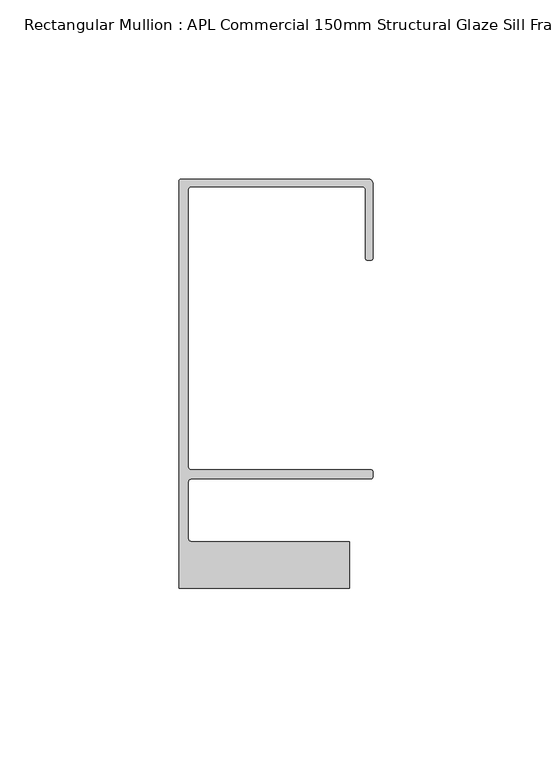
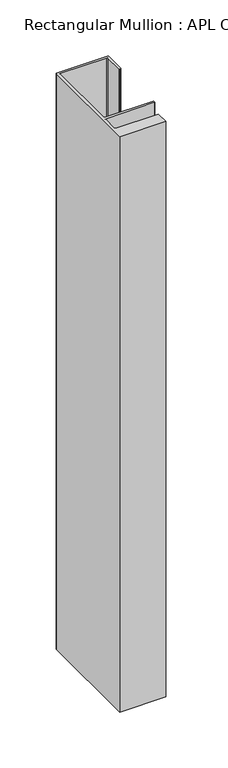
"""IFC4 building model written with IfcOpenShell, lengths in millimetres: member geometry, Rectangular Mullion : APL Commercial 150mm Structural Glaze Sill Frame (Back)."""

import ifcopenshell
import ifcopenshell.guid

model = None  # the IFC model being written
_history = None  # IfcOwnerHistory: only IFC2X3 demands one
_inside = {}  # id of a spatial element -> (the spatial element, [elements in it])
_under = {}  # id of a project, library or spatial element -> (it, [spatial elements below it])
_declared = {}  # id of a project -> (the project, [libraries it declares])
_typed = {}  # id of a type object -> (the type object, [elements of that type])
_made_of = {}  # id of a material, layer set ... -> (it, [elements and type objects made of it])


def new_model(schema):
    """Start an empty IFC model of exactly this schema.

    Asked for "IFC4X3", IfcOpenShell would pick the latest addendum, in which some entities
    have other attributes; the version numbers below select the first issue.
    IFC2X3 requires an IfcOwnerHistory on every rooted entity: one is made here for all.
    """
    global model, _history
    if schema == "IFC4X3":
        model = ifcopenshell.file(schema_version=(4, 3, 0, 0))
    else:
        model = ifcopenshell.file(schema=schema)
    _inside.clear()
    _under.clear()
    _declared.clear()
    _typed.clear()
    _made_of.clear()
    _history = None
    if model.schema == "IFC2X3":
        org = make("IfcOrganization", Name="unknown")
        user = make(
            "IfcPersonAndOrganization",
            ThePerson=make("IfcPerson", FamilyName="unknown"),
            TheOrganization=org,
        )
        app = make(
            "IfcApplication",
            ApplicationDeveloper=org,
            Version="unknown",
            ApplicationFullName="unknown",
            ApplicationIdentifier="unknown",
        )
        _history = make(
            "IfcOwnerHistory",
            OwningUser=user,
            OwningApplication=app,
            ChangeAction="ADDED",
            CreationDate=0,
        )
    return model


def make(cls, **values):
    """One entity of the class cls with the attributes given. An attribute that is None is left unset."""
    return model.create_entity(
        cls, **{name: value for name, value in values.items() if value is not None}
    )


def rooted(cls, **values):
    """An entity with a GlobalId (a new one), such as an element, a storey or a relation."""
    return make(cls, GlobalId=ifcopenshell.guid.new(), OwnerHistory=_history, **values)


def si_unit(unit_type, name, prefix=None):
    """IfcSIUnit, for example si_unit("LENGTHUNIT", "METRE", prefix="MILLI")."""
    return make("IfcSIUnit", UnitType=unit_type, Prefix=prefix, Name=name)


def assignment(units):
    """IfcUnitAssignment: the units of a project."""
    return None if units is None else make("IfcUnitAssignment", Units=units)


def point(xyz):
    """IfcCartesianPoint."""
    return None if xyz is None else make("IfcCartesianPoint", Coordinates=xyz)


def direction(xyz):
    """IfcDirection."""
    return None if xyz is None else make("IfcDirection", DirectionRatios=xyz)


def frame(location, z_axis=None, x_axis=None):
    """IfcAxis2Placement3D, a coordinate frame: its origin and axes. An axis left out is left unset."""
    return make(
        "IfcAxis2Placement3D",
        Location=point(location),
        Axis=direction(z_axis),
        RefDirection=direction(x_axis),
    )


def origin():
    """The frame at (0, 0, 0) with its axes left unset."""
    return frame((0.0, 0.0, 0.0))


def place(relative_to, where):
    """IfcLocalPlacement: puts the frame where relative to a parent placement (None: the world)."""
    return make(
        "IfcLocalPlacement", PlacementRelTo=relative_to, RelativePlacement=where
    )


def context(
    kind, dimensions, precision=None, world=None, true_north=None, identifier=None
):
    """IfcGeometricRepresentationContext, for example the 3D "Model" context."""
    return make(
        "IfcGeometricRepresentationContext",
        ContextIdentifier=identifier,
        ContextType=kind,
        CoordinateSpaceDimension=dimensions,
        Precision=precision,
        WorldCoordinateSystem=world,
        TrueNorth=true_north,
    )


def project(units=None, contexts=None):
    """IfcProject with its units and contexts."""
    return rooted(
        "IfcProject",
        Name="project",
        RepresentationContexts=contexts,
        UnitsInContext=assignment(units),
    )


def spatial(cls, under=None, at=None, **own):
    """A site, building, storey or space (cls), placed at a placement, below another one or the project."""
    s = rooted(cls, ObjectPlacement=at, **own)
    if under is not None:
        _under.setdefault(under.id(), (under, []))[1].append(s)
    return s


def polyline(points):
    """IfcPolyline through the points."""
    return make("IfcPolyline", Points=[point(p) for p in points])


def circle_curve(where, radius):
    """IfcCircle in the frame where."""
    return make("IfcCircle", Position=where, Radius=radius)


def shape(context_of_items, identifier, shape_type, items):
    """IfcShapeRepresentation: the items that make up one representation, for example the "Body"."""
    return make(
        "IfcShapeRepresentation",
        ContextOfItems=context_of_items,
        RepresentationIdentifier=identifier,
        RepresentationType=shape_type,
        Items=items,
    )


def source(mapping_origin, context_of_items, identifier, shape_type, items):
    """IfcRepresentationMap: a shape defined once, which mapped items show again and again."""
    return make(
        "IfcRepresentationMap",
        MappingOrigin=mapping_origin,
        MappedRepresentation=shape(context_of_items, identifier, shape_type, items),
    )


def transform(
    local_origin,
    x_axis=None,
    y_axis=None,
    z_axis=None,
    scale=None,
    scale2=None,
    scale3=None,
    uniform=True,
):
    """IfcCartesianTransformationOperator3D, or its non-uniform kind. x_axis, y_axis, z_axis: its Axis1, 2, 3."""
    if uniform:
        return make(
            "IfcCartesianTransformationOperator3D",
            Axis1=direction(x_axis),
            Axis2=direction(y_axis),
            LocalOrigin=point(local_origin),
            Scale=scale,
            Axis3=direction(z_axis),
        )
    return make(
        "IfcCartesianTransformationOperator3DnonUniform",
        Axis1=direction(x_axis),
        Axis2=direction(y_axis),
        LocalOrigin=point(local_origin),
        Scale=scale,
        Axis3=direction(z_axis),
        Scale2=scale2,
        Scale3=scale3,
    )


def mapped(mapping_source, mapping_target):
    """IfcMappedItem: shows the shape of a source again, moved by a transform."""
    return make(
        "IfcMappedItem", MappingSource=mapping_source, MappingTarget=mapping_target
    )


def made_of(thing, what):
    """Note that an element or type object is made of a material, layer set ...; save() writes the relation."""
    if what is not None:
        _made_of.setdefault(what.id(), (what, []))[1].append(thing)
    return thing


def element(
    cls,
    number,
    at=None,
    inside=None,
    cuts=None,
    type_object=None,
    material=None,
    context=None,
    identifier="Body",
    shape_type=None,
    held_by="IfcProductDefinitionShape",
    body=None,
    shapes=None,
    **own,
):
    """One element of the class cls, such as IfcWall. Its Tag is "e" and its number.

    at: its placement. inside: the storey or other place that contains it. cuts: it is an
    opening in that element (IfcRelVoidsElement). A single representation is given by context,
    identifier, shape_type and body (its items); several are given by shapes. held_by: the class
    of the entity that holds the representations. save() writes the other relations.
    """
    e = rooted(cls, Tag="e%d" % number, ObjectPlacement=at, **own)
    if body is not None:
        shapes = [shape(context, identifier, shape_type, body)]
    if shapes is not None:
        e.Representation = make(held_by, Representations=shapes)
    if inside is not None:
        _inside.setdefault(inside.id(), (inside, []))[1].append(e)
    if cuts is not None:
        rooted(
            "IfcRelVoidsElement", RelatingBuildingElement=cuts, RelatedOpeningElement=e
        )
    if type_object is not None:
        _typed.setdefault(type_object.id(), (type_object, []))[1].append(e)
    return made_of(e, material)


def aggregate(whole, parts):
    """IfcRelAggregates: a whole, such as a stair, and the parts it consists of."""
    return rooted("IfcRelAggregates", RelatingObject=whole, RelatedObjects=parts)


def save(model, path):
    """Write the relations noted so far, then the file.

    IfcRelAggregates (storeys below a building ...), IfcRelContainedInSpatialStructure (elements
    in a storey), IfcRelDefinesByType, IfcRelAssociatesMaterial and IfcRelDeclares: one each for
    every whole, place, type object, material and project.
    """
    for whole, parts in _under.values():
        aggregate(whole, parts)
    for where, things in _inside.values():
        rooted(
            "IfcRelContainedInSpatialStructure",
            RelatedElements=things,
            RelatingStructure=where,
        )
    for kind, things in _typed.values():
        rooted("IfcRelDefinesByType", RelatedObjects=things, RelatingType=kind)
    for what, things in _made_of.values():
        rooted("IfcRelAssociatesMaterial", RelatedObjects=things, RelatingMaterial=what)
    for by, libraries in _declared.values():
        rooted("IfcRelDeclares", RelatingContext=by, RelatedDefinitions=libraries)
    model.write(path)


def plane_surface(at):
    """IfcPlane: the flat surface through the origin of the frame at, square to its z axis."""
    return make("IfcPlane", Position=at)


def cylinder_surface(at, radius):
    """IfcCylindricalSurface: all points at the distance radius from the z axis of the frame at."""
    return make("IfcCylindricalSurface", Position=at, Radius=radius)


def revolved_surface(curve, axis_point, axis_direction):
    """IfcSurfaceOfRevolution: the curve turned about the line through axis_point along axis_direction."""
    return make(
        "IfcSurfaceOfRevolution",
        SweptCurve=make("IfcArbitraryOpenProfileDef", ProfileType="CURVE", Curve=curve),
        AxisPosition=make("IfcAxis1Placement", Location=point(axis_point), Axis=direction(axis_direction)),
    )


def advanced_brep(points, edges, surfaces, faces):
    """IfcAdvancedBrep: a solid bounded by faces that lie on surfaces and meet in shared edges.

    An edge is (start, end): straight between two places in points (the first is 0);
    or (start, end, curve); or (start, end, curve, False) where it runs against its curve.
    A face is (place in surfaces, loops), or (place, loops, False) where it looks against
    its surface's normal. A loop lists edges by number (the first is 1), with a minus sign
    where the edge is run from its end to its start. The first loop is the outer one.
    """
    corners = [point(p) for p in points]
    vertices = [make("IfcVertexPoint", VertexGeometry=c) for c in corners]
    made = []
    for start, end, *more in edges:
        made.append(
            make(
                "IfcEdgeCurve",
                EdgeStart=vertices[start],
                EdgeEnd=vertices[end],
                EdgeGeometry=more[0] if more else make("IfcPolyline", Points=[corners[start], corners[end]]),
                SameSense=more[1] if len(more) > 1 else True,
            )
        )
    hull = []
    for where, loops, *sense in faces:
        bounds = []
        for j, loop in enumerate(loops):
            ring = [make("IfcOrientedEdge", EdgeElement=made[abs(k) - 1], Orientation=k > 0) for k in loop]
            bounds.append(
                make(
                    "IfcFaceOuterBound" if j == 0 else "IfcFaceBound",
                    Bound=make("IfcEdgeLoop", EdgeList=ring),
                    Orientation=True,
                )
            )
        hull.append(make("IfcAdvancedFace", Bounds=bounds, FaceSurface=surfaces[where], SameSense=sense[0] if sense else True))
    return make("IfcAdvancedBrep", Outer=make("IfcClosedShell", CfsFaces=hull))


def rectangular_mullion_apl_commercial_150mm_structural_glaze_aa7df162(model_context):
    return source(origin(), model_context, "Body", "AdvancedBrep", [
        advanced_brep(
        [(-53.5000083, 129.0001071, 0.0), (-54.0000083, 128.5001071, 0.0), (-54.0000083, 15.0004332, 0.0), (-6.5000083, 15.0004332, 0.0), (-6.5000083, 28.0004332, 0.0), (-50.500032, 28.0004332, 0.0), (-51.500032, 29.0004332, 0.0), (-51.500032, 44.4999541, 0.0), (-50.500032, 45.4999541, 0.0), (-0.521387, 45.4999541, 0.0), (-5.4e-06, 46.0213357, 0.0), (-5.4e-06, 47.5021598, 0.0), (-0.5000012, 48.000115, 0.0), (-50.482081, 48.000115, 0.0), (-51.5000225, 48.9999541, 0.0), (-51.5000225, 126.00011, 0.0), (-50.5000083, 127.00011, 0.0), (-2.9999982, 127.00011, 0.0), (-1.9999982, 126.0001071, 0.0), (-1.9999982, 107.0001071, 0.0), (-1.4999822, 106.5001071, 0.0), (-0.5, 106.5001071, 0.0), (0.0, 107.0001071, 0.0), (0.0, 128.0001071, 0.0), (-1.0000079, 129.0001071, 0.0), (-53.5000083, 129.0001071, -628.0250341), (-1.0000079, 129.0001071, -628.0250341), (-7.9e-06, 128.0001071, -628.0250341), (0.0, 107.0001071, -628.0250341), (-0.5, 106.5001071, -628.0250341), (-1.4999822, 106.5001071, -628.0250341), (-1.9999822, 107.0001071, -628.0250341), (-1.9999982, 126.0001071, -628.0250341), (-2.9999982, 127.0001071, -628.0250341), (-50.5000083, 127.00011, -628.0250341), (-51.5000083, 126.00011, -628.0250341), (-51.5000225, 48.9999541, -628.0250341), (-50.482081, 48.000115, -628.0250341), (-0.5000012, 48.000115, -628.0250341), (-5.4e-06, 47.5021598, -628.0250341), (-5.4e-06, 46.0213357, -628.0250341), (-0.521387, 45.4999541, -628.0250341), (-50.500032, 45.4999541, -628.0250341), (-51.500032, 44.4999541, -628.0250341), (-51.500032, 29.0004332, -628.0250341), (-50.500032, 28.0004332, -628.0250341), (-6.5000083, 28.0004332, -628.0250341), (-6.5000083, 15.0004332, -628.0250341), (-54.0000083, 15.0004332, -628.0250341), (-54.0000083, 128.5001071, -628.0250341)],
        [
            (0, 1, circle_curve(frame((-53.5000083, 128.5001071, 0.0), z_axis=(0.0, 0.0, 1.0), x_axis=(0.0, 1.0, 0.0)), 0.5)),
            (1, 2),
            (2, 3),
            (3, 4),
            (4, 5),
            (5, 6, circle_curve(frame((-50.500032, 29.0004332, 0.0), z_axis=(0.0, 0.0, -1.0), x_axis=(0.0, -1.0, 0.0)), 1.0)),
            (6, 7),
            (7, 8, circle_curve(frame((-50.500032, 44.4999541, 0.0), z_axis=(0.0, 0.0, -1.0), x_axis=(-0.9999999999998819, 4.863123717036027e-07, 0.0)), 1.0)),
            (8, 9),
            (9, 10, circle_curve(frame((-0.521387, 46.0213357, 0.0), z_axis=(0.0, 0.0, 1.0), x_axis=(-1.0, 0.0, 0.0)), 0.5213816)),
            (10, 11),
            (11, 12, circle_curve(frame((-0.5000012, 47.500115, 0.0), z_axis=(0.0, 0.0, 1.0), x_axis=(0.9999999999999991, -4.5120271963110614e-08, 0.0)), 0.5)),
            (12, 13),
            (13, 14, circle_curve(frame((-50.5000225, 48.9999541, 0.0), z_axis=(0.0, 0.0, -1.0), x_axis=(3.5344775231070867e-06, -0.9999999999937538, 0.0)), 1.0)),
            (14, 15),
            (15, 16, circle_curve(frame((-50.5000083, 126.00011, 0.0), z_axis=(0.0, 0.0, -1.0), x_axis=(-1.0, 3.636202450239078e-12, 0.0)), 1.0)),
            (16, 17),
            (17, 18, circle_curve(frame((-2.9999982, 126.0001071, 0.0), z_axis=(0.0, 0.0, -1.0), x_axis=(0.0, 1.0, 0.0)), 1.0)),
            (18, 19),
            (19, 20, circle_curve(frame((-1.4999822, 107.0001071, 0.0), z_axis=(0.0, 0.0, 1.0), x_axis=(-1.0, -1.039279773351609e-08, 0.0)), 0.5)),
            (20, 21),
            (21, 22, circle_curve(frame((-0.5, 107.0001071, 0.0), z_axis=(0.0, 0.0, 1.0), x_axis=(0.0, -1.0, 0.0)), 0.5)),
            (22, 23),
            (23, 24, circle_curve(frame((-1.0000079, 128.0001071, 0.0), z_axis=(0.0, 0.0, 1.0), x_axis=(0.9999999999996143, 8.78371761103865e-07, 0.0)), 1.0)),
            (24, 0),
            (25, 26),
            (26, 27, circle_curve(frame((-1.0000079, 128.0001071, -628.0250341), z_axis=(0.0, 0.0, -1.0), x_axis=(0.9999999999996143, 8.78371761103865e-07, 0.0)), 1.0)),
            (27, 28),
            (28, 29, circle_curve(frame((-0.5, 107.0001071, -628.0250341), z_axis=(0.0, 0.0, -1.0), x_axis=(0.0, -1.0, 0.0)), 0.5)),
            (29, 30),
            (30, 31, circle_curve(frame((-1.4999822, 107.0001071, -628.0250341), z_axis=(0.0, 0.0, -1.0), x_axis=(-1.0, -1.039279773351609e-08, 0.0)), 0.5)),
            (31, 32),
            (32, 33, circle_curve(frame((-2.9999982, 126.0001071, -628.0250341), z_axis=(0.0, 0.0, 1.0), x_axis=(0.0, 1.0, 0.0)), 1.0)),
            (33, 34),
            (34, 35, circle_curve(frame((-50.5000083, 126.00011, -628.0250341), z_axis=(0.0, 0.0, 1.0), x_axis=(-1.0, 3.636202450239078e-12, 0.0)), 1.0)),
            (35, 36),
            (36, 37, circle_curve(frame((-50.5000225, 48.9999541, -628.0250341), z_axis=(0.0, 0.0, 1.0), x_axis=(3.5344775231070867e-06, -0.9999999999937538, 0.0)), 1.0)),
            (37, 38),
            (38, 39, circle_curve(frame((-0.5000012, 47.500115, -628.0250341), z_axis=(0.0, 0.0, -1.0), x_axis=(0.9999999999999991, -4.5120271963110614e-08, 0.0)), 0.5)),
            (39, 40),
            (40, 41, circle_curve(frame((-0.521387, 46.0213357, -628.0250341), z_axis=(0.0, 0.0, -1.0), x_axis=(-1.0, 0.0, 0.0)), 0.5213816)),
            (41, 42),
            (42, 43, circle_curve(frame((-50.500032, 44.4999541, -628.0250341), z_axis=(0.0, 0.0, 1.0), x_axis=(-0.9999999999998819, 4.863123717036027e-07, 0.0)), 1.0)),
            (43, 44),
            (44, 45, circle_curve(frame((-50.500032, 29.0004332, -628.0250341), z_axis=(0.0, 0.0, 1.0), x_axis=(0.0, -1.0, 0.0)), 1.0)),
            (45, 46),
            (46, 47),
            (47, 48),
            (48, 49),
            (49, 25, circle_curve(frame((-53.5000083, 128.5001071, -628.0250341), z_axis=(0.0, 0.0, -1.0), x_axis=(0.0, 1.0, 0.0)), 0.5)),
            (0, 25),
            (49, 1),
            (48, 2),
            (47, 3),
            (46, 4),
            (45, 5),
            (44, 6),
            (43, 7),
            (42, 8),
            (41, 9),
            (40, 10),
            (39, 11),
            (23, 27),
            (26, 24),
            (38, 12),
            (37, 13),
            (36, 14),
            (35, 15),
            (34, 16),
            (33, 17),
            (32, 18),
            (31, 19),
            (30, 20),
            (29, 21),
            (28, 22),
        ],
        [
            plane_surface(frame((0.0, -139.6548314, 0.0), z_axis=(0.0, 0.0, 1.0), x_axis=(-1.0, 0.0, 0.0))),
            plane_surface(frame((0.0, -139.6548314, -628.0250341), z_axis=(0.0, 0.0, -1.0), x_axis=(-1.0, 0.0, 0.0))),
            cylinder_surface(frame((-53.5000083, 128.5001071, 0.0), z_axis=(0.0, 0.0, 1.0), x_axis=(0.0, 1.0, 0.0)), 0.5),
            plane_surface(frame((-54.0000083, 128.5001071, 0.0), z_axis=(-1.0, 0.0, 0.0), x_axis=(0.0, 0.0, -1.0))),
            plane_surface(frame((-54.0000083, 15.0004332, 0.0), z_axis=(0.0, -1.0, 0.0), x_axis=(0.0, 0.0, -1.0))),
            plane_surface(frame((-6.5000083, 15.0004332, 0.0), z_axis=(1.0, 0.0, 0.0), x_axis=(0.0, 0.0, -1.0))),
            plane_surface(frame((-6.5000083, 28.0004332, 0.0), z_axis=(0.0, 1.0, 0.0), x_axis=(0.0, 0.0, -1.0))),
            revolved_surface(polyline([(-50.500032, 28.0004332, -628.0250341), (-50.500032, 28.0004332, 0.0)]), (-50.500032, 29.0004332, 0.0), (0.0, 0.0, -1.0)),
            plane_surface(frame((-51.500032, 29.0004332, 0.0), z_axis=(1.0, 0.0, 0.0), x_axis=(0.0, 0.0, -1.0))),
            revolved_surface(polyline([(-51.50003199999988, 44.49995458631237, -628.0250341000002), (-51.50003199999988, 44.49995458631237, 0.0)]), (-50.500032, 44.4999541, 0.0), (0.0, 0.0, -1.0000000000000002)),
            plane_surface(frame((-50.500032, 45.4999541, 0.0), z_axis=(0.0, -1.0, 0.0), x_axis=(0.0, 0.0, -1.0))),
            cylinder_surface(frame((-0.521387, 46.0213357, 0.0), z_axis=(0.0, 0.0, 1.0), x_axis=(-1.0, 0.0, 0.0)), 0.5213816),
            plane_surface(frame((-5.4e-06, 46.0213357, 0.0), z_axis=(1.0, 0.0, 0.0), x_axis=(0.0, 0.0, -1.0))),
            cylinder_surface(frame((-1.0000079, 128.0001071, 0.0), z_axis=(0.0, 0.0, 1.0000000000000002), x_axis=(0.9999999999996143, 8.78371761103865e-07, 0.0)), 1.0),
            plane_surface(frame((-1.0000079, 129.0001071, 0.0), z_axis=(0.0, 1.0, 0.0), x_axis=(0.0, 0.0, -1.0))),
            cylinder_surface(frame((-0.5000012, 47.500115, 0.0), z_axis=(0.0, 0.0, 1.0000000000000002), x_axis=(0.9999999999999991, -4.5120271963110614e-08, 0.0)), 0.5),
            plane_surface(frame((-0.5000012, 48.000115, 0.0), z_axis=(0.0, 1.0, 0.0), x_axis=(0.0, 0.0, -1.0))),
            revolved_surface(polyline([(-50.50001896552248, 47.99995410000624, -628.0250341), (-50.50001896552248, 47.99995410000624, 0.0)]), (-50.5000225, 48.9999541, 0.0), (0.0, 0.0, -1.0)),
            plane_surface(frame((-51.5000225, 48.9999541, 0.0), z_axis=(1.0, 0.0, 0.0), x_axis=(0.0, 0.0, -1.0))),
            revolved_surface(polyline([(-51.5000083, 126.00011000000364, -628.0250341), (-51.5000083, 126.00011000000364, 0.0)]), (-50.5000083, 126.00011, 0.0), (0.0, 0.0, -1.0)),
            plane_surface(frame((-50.5000083, 127.00011, 0.0), z_axis=(0.0, -1.0, 0.0), x_axis=(0.0, 0.0, -1.0))),
            revolved_surface(polyline([(-2.9999982, 127.0001071, -628.0250341), (-2.9999982, 127.0001071, 0.0)]), (-2.9999982, 126.0001071, 0.0), (0.0, 0.0, -1.0)),
            plane_surface(frame((-1.9999982, 126.0001071, 0.0), z_axis=(-1.0, 0.0, 0.0), x_axis=(0.0, 0.0, -1.0))),
            cylinder_surface(frame((-1.4999822, 107.0001071, 0.0), z_axis=(0.0, 0.0, 1.0), x_axis=(-1.0, -1.039279773351609e-08, 0.0)), 0.5),
            plane_surface(frame((-1.4999822, 106.5001071, 0.0), z_axis=(0.0, -1.0, 0.0), x_axis=(0.0, 0.0, -1.0))),
            cylinder_surface(frame((-0.5, 107.0001071, 0.0), z_axis=(0.0, 0.0, 1.0), x_axis=(0.0, -1.0, 0.0)), 0.5),
            plane_surface(frame((0.0, 107.0001071, 0.0), z_axis=(1.0, 0.0, 0.0), x_axis=(0.0, 0.0, -1.0))),
        ],
        [
            (0, [[1, 2, 3, 4, 5, 6, 7, 8, 9, 10, 11, 12, 13, 14, 15, 16, 17, 18, 19, 20, 21, 22, 23, 24, 25]]),
            (1, [[26, 27, 28, 29, 30, 31, 32, 33, 34, 35, 36, 37, 38, 39, 40, 41, 42, 43, 44, 45, 46, 47, 48, 49, 50]]),
            (2, [[-1, 51, -50, 52]]),
            (3, [[-2, -52, -49, 53]]),
            (4, [[-3, -53, -48, 54]]),
            (5, [[-4, -54, -47, 55]]),
            (6, [[-5, -55, -46, 56]]),
            (7, [[-6, -56, -45, 57]]),
            (8, [[-7, -57, -44, 58]]),
            (9, [[-8, -58, -43, 59]]),
            (10, [[-9, -59, -42, 60]]),
            (11, [[-10, -60, -41, 61]]),
            (12, [[-11, -61, -40, 62]]),
            (13, [[-24, 63, -27, 64]]),
            (14, [[-25, -64, -26, -51]]),
            (15, [[-12, -62, -39, 65]]),
            (16, [[-13, -65, -38, 66]]),
            (17, [[-14, -66, -37, 67]]),
            (18, [[-15, -67, -36, 68]]),
            (19, [[-16, -68, -35, 69]]),
            (20, [[-17, -69, -34, 70]]),
            (21, [[-18, -70, -33, 71]]),
            (22, [[-19, -71, -32, 72]]),
            (23, [[-20, -72, -31, 73]]),
            (24, [[-21, -73, -30, 74]]),
            (25, [[-22, -74, -29, 75]]),
            (26, [[-23, -75, -28, -63]]),
        ],
    ),
    ])


if __name__ == "__main__":
    model = new_model("IFC4")
    model_context = context("Model", 3, world=origin())
    ifc_project = project(units=[si_unit("LENGTHUNIT", "METRE", prefix="MILLI")], contexts=[model_context])
    site = spatial("IfcSite", under=ifc_project)
    building = spatial("IfcBuilding", under=site)
    placement = place(None, origin())
    rectangular_mullion_apl_commercial_150mm_structural_glaze_shape = rectangular_mullion_apl_commercial_150mm_structural_glaze_aa7df162(model_context)
    element("IfcMember", 1, ObjectType="Rectangular Mullion : APL Commercial 150mm Structural Glaze Sill Frame (Back)", at=placement, inside=building, context=model_context, shape_type="MappedRepresentation", body=[
        mapped(rectangular_mullion_apl_commercial_150mm_structural_glaze_shape, transform((0.0, 0.0, 0.0), x_axis=(1.0, 0.0, 0.0), y_axis=(0.0, 1.0, 0.0), z_axis=(0.0, 0.0, 1.0))),
    ])
    save(model, "model.ifc")
